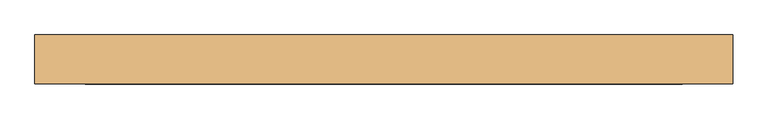
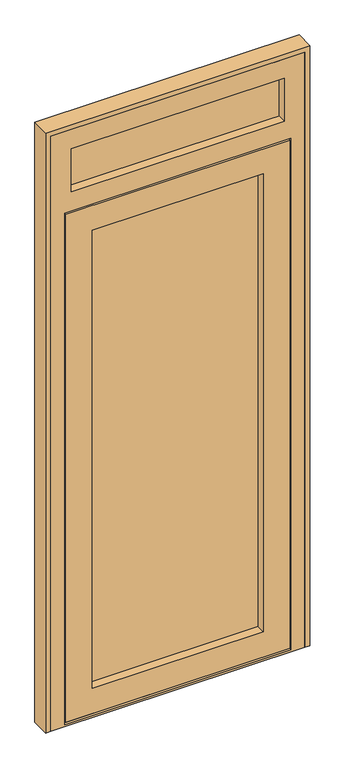
"""IFC4 building model written with IfcOpenShell, lengths in millimetres: door geometry."""

from ifc_helpers import new_model, si_unit, frame, origin, place, context, project, spatial, polyline, outline, extrude, faceted_brep, source, transform, mapped, element, save


def door_fdbeca53(model_context):
    return source(origin(), model_context, "Body", "SolidModel", [
        extrude(outline(polyline([(-216.0, 91.0), (466.0, 91.0), (466.0, 65.0), (-216.0, 65.0), (-216.0, 91.0)])), frame((0.0, 0.0, 99.0), z_axis=(0.0, 0.0, 1.0), x_axis=(1.0, 0.0, 0.0)), (0.0, 0.0, 1.0), 1868.0),
        extrude(outline(polyline([(-296.0, 91.0), (546.0, 91.0), (546.0, 65.0), (-296.0, 65.0), (-296.0, 91.0)])), frame((0.0, 0.0, 2113.0), z_axis=(0.0, 0.0, 1.0), x_axis=(1.0, 0.0, 0.0)), (0.0, 0.0, 1.0), 208.0),
        faceted_brep([(548.0, 39.0, 17.0), (548.0, 30.0, 17.0), (-298.0, 30.0, 17.0), (-298.0, 39.0, 17.0), (-288.0, 39.0, 17.0), (-288.0, 91.0, 17.0), (-278.0, 91.0, 17.0), (-278.0, 39.0, 17.0), (528.0, 39.0, 17.0), (528.0, 91.0, 17.0), (538.0, 91.0, 17.0), (538.0, 39.0, 17.0), (548.0, 39.0, 2049.0), (548.0, 30.0, 2049.0), (-298.0, 30.0, 2049.0), (448.0, 30.0, 1949.0), (448.0, 30.0, 117.0), (-198.0, 30.0, 117.0), (-198.0, 30.0, 1949.0), (448.0, 65.0, 1949.0), (448.0, 65.0, 117.0), (-216.0, 65.0, 1967.0), (466.0, 65.0, 1967.0), (466.0, 65.0, 99.0), (-216.0, 65.0, 99.0), (-198.0, 65.0, 1949.0), (-198.0, 65.0, 117.0), (466.0, 91.0, 1967.0), (466.0, 91.0, 99.0), (-216.0, 91.0, 1967.0), (-216.0, 91.0, 99.0), (448.0, 91.0, 1949.0), (448.0, 91.0, 117.0), (-198.0, 91.0, 117.0), (-198.0, 91.0, 1949.0), (448.0, 100.0, 1949.0), (448.0, 100.0, 117.0), (-273.0, 100.0, 2024.0), (523.0, 100.0, 2024.0), (523.0, 100.0, 42.0), (-273.0, 100.0, 42.0), (-198.0, 100.0, 1949.0), (-198.0, 100.0, 117.0), (523.0, 91.0, 2024.0), (523.0, 91.0, 42.0), (-278.0, 91.0, 27.0), (-288.0, 91.0, 2039.0), (538.0, 91.0, 2039.0), (528.0, 91.0, 27.0), (-273.0, 91.0, 2024.0), (-273.0, 91.0, 42.0), (538.0, 39.0, 2039.0), (-288.0, 39.0, 2039.0), (-298.0, 39.0, 2049.0), (-278.0, 39.0, 27.0), (528.0, 39.0, 27.0)], [[[0, 1, 2, 3, 4, 5, 6, 7, 8, 9, 10, 11]], [[1, 0, 12, 13]], [[2, 1, 13, 14], [15, 16, 17, 18]], [[15, 19, 20, 16]], [[21, 22, 23, 24], [19, 25, 26, 20]], [[23, 22, 27, 28]], [[27, 29, 30, 28], [31, 32, 33, 34]], [[31, 35, 36, 32]], [[37, 38, 39, 40], [35, 41, 42, 36]], [[39, 38, 43, 44]], [[45, 6, 5, 46, 47, 10, 9, 48], [43, 49, 50, 44]], [[11, 10, 47, 51]], [[0, 11, 51, 52, 4, 3, 53, 12]], [[13, 12, 53, 14]], [[15, 18, 25, 19]], [[22, 21, 29, 27]], [[31, 34, 41, 35]], [[38, 37, 49, 43]], [[47, 46, 52, 51]], [[2, 14, 53, 3]], [[25, 18, 17, 26]], [[30, 29, 21, 24]], [[41, 34, 33, 42]], [[50, 49, 37, 40]], [[46, 5, 4, 52]], [[20, 26, 17, 16]], [[24, 23, 28, 30]], [[36, 42, 33, 32]], [[45, 54, 7, 6]], [[55, 48, 9, 8]], [[54, 45, 48, 55]], [[44, 50, 40, 39]], [[8, 7, 54, 55]]]),
        faceted_brep([(-355.0, 100.0, 0.0), (605.0, 100.0, 0.0), (605.0, 30.0, 0.0), (-355.0, 30.0, 0.0), (605.0, 30.0, 2380.0), (-355.0, 30.0, 2380.0), (553.0, 30.0, 9.0), (-303.0, 30.0, 9.0), (-303.0, 30.0, 2054.0), (553.0, 30.0, 2054.0), (-278.0, 30.0, 2303.0), (528.0, 30.0, 2303.0), (528.0, 30.0, 2131.0), (-278.0, 30.0, 2131.0), (553.0, 39.0, 9.0), (553.0, 39.0, 2054.0), (-303.0, 39.0, 2054.0), (-303.0, 39.0, 9.0), (538.0, 39.0, 2039.0), (538.0, 39.0, 27.0), (-288.0, 39.0, 27.0), (-288.0, 39.0, 2039.0), (538.0, 91.0, 27.0), (538.0, 91.0, 2039.0), (528.0, 91.0, 27.0), (-288.0, 91.0, 2039.0), (-288.0, 91.0, 27.0), (-278.0, 91.0, 27.0), (-278.0, 91.0, 2029.0), (528.0, 91.0, 2029.0), (528.0, 100.0, 27.0), (528.0, 100.0, 2029.0), (-355.0, 100.0, 2380.0), (605.0, 100.0, 2380.0), (528.0, 100.0, 2303.0), (-278.0, 100.0, 2303.0), (-278.0, 100.0, 2131.0), (528.0, 100.0, 2131.0), (-278.0, 100.0, 2029.0), (-278.0, 100.0, 27.0), (-278.0, 91.0, 2131.0), (528.0, 91.0, 2131.0), (546.0, 91.0, 2321.0), (-296.0, 91.0, 2321.0), (-296.0, 91.0, 2113.0), (546.0, 91.0, 2113.0), (-278.0, 91.0, 2303.0), (528.0, 91.0, 2303.0), (546.0, 65.0, 2113.0), (-296.0, 65.0, 2113.0), (-296.0, 65.0, 2321.0), (546.0, 65.0, 2321.0), (528.0, 65.0, 2303.0), (-278.0, 65.0, 2303.0), (-278.0, 65.0, 2131.0), (528.0, 65.0, 2131.0)], [[[0, 1, 2, 3]], [[2, 4, 5, 3], [6, 7, 8, 9], [10, 11, 12, 13]], [[14, 6, 9, 15]], [[14, 15, 16, 17], [18, 19, 20, 21]], [[22, 19, 18, 23]], [[24, 22, 23, 25, 26, 27, 28, 29]], [[30, 24, 29, 31]], [[32, 33, 1, 0], [34, 35, 36, 37], [31, 38, 39, 30]], [[2, 1, 33, 4]], [[3, 5, 32, 0]], [[6, 14, 17, 7]], [[19, 22, 24, 30, 39, 27, 26, 20]], [[25, 23, 18, 21]], [[31, 29, 28, 38]], [[37, 36, 40, 41]], [[42, 43, 44, 45], [46, 47, 41, 40]], [[48, 45, 44, 49]], [[50, 51, 48, 49], [52, 53, 54, 55]], [[13, 12, 55, 54]], [[16, 15, 9, 8]], [[11, 52, 55, 12]], [[51, 42, 45, 48]], [[47, 34, 37, 41]], [[4, 33, 32, 5]], [[11, 10, 53, 52]], [[51, 50, 43, 42]], [[47, 46, 35, 34]], [[53, 10, 13, 54]], [[43, 50, 49, 44]], [[35, 46, 40, 36]], [[17, 16, 8, 7]], [[21, 20, 26, 25]], [[39, 38, 28, 27]]]),
        extrude(outline(polyline([(2400.0, -375.0), (0.0, -375.0), (0.0, -355.0), (2380.0, -355.0), (2380.0, 605.0), (0.0, 605.0), (0.0, 625.0), (2400.0, 625.0), (2400.0, -375.0)])), frame((0.0, 30.0, 0.0), z_axis=(0.0, 1.0, 0.0), x_axis=(0.0, 0.0, 1.0)), (0.0, 0.0, 1.0), 70.0),
    ])


if __name__ == "__main__":
    model = new_model("IFC4")
    model_context = context("Model", 3, world=origin())
    ifc_project = project(units=[si_unit("LENGTHUNIT", "METRE", prefix="MILLI")], contexts=[model_context])
    site = spatial("IfcSite", under=ifc_project)
    building = spatial("IfcBuilding", under=site)
    placement = place(None, origin())
    door_shape = door_fdbeca53(model_context)
    element("IfcDoor", 1, at=placement, inside=building, context=model_context, shape_type="MappedRepresentation", body=[
        mapped(door_shape, transform((0.0, 0.0, 0.0), x_axis=(1.0, 0.0, 0.0), y_axis=(0.0, 1.0, 0.0), z_axis=(0.0, 0.0, 1.0))),
    ])
    save(model, "model.ifc")
